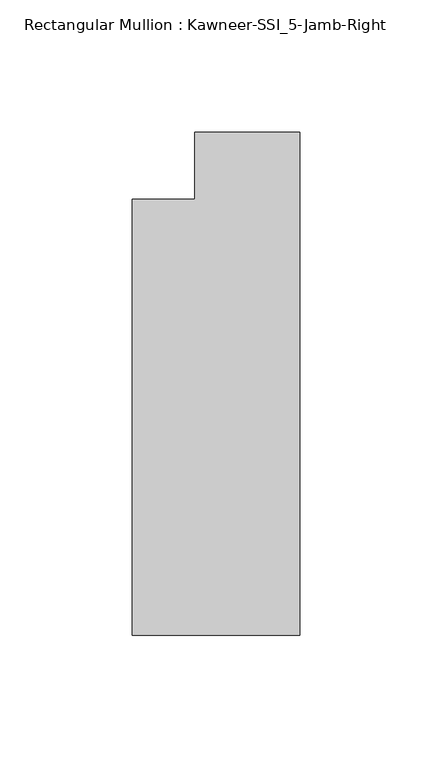
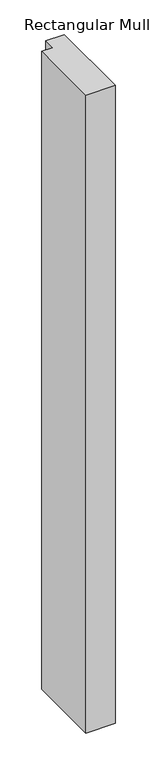
"""IFC4 building model written with IfcOpenShell, lengths in millimetres: member geometry, Rectangular Mullion : Kawneer-SSI_5-Jamb-Right."""

from ifc_helpers import new_model, si_unit, frame, origin, place, context, project, spatial, polyline, outline, extrude, source, transform, mapped, element, save


def rectangular_mullion_kawneer_ssi_5_jamb_right_23c43a9b(model_context):
    return source(origin(), model_context, "Body", "SweptSolid", [
        extrude(outline(polyline([(-63.5, -177.8), (-63.5, -12.7), (-39.6875, -12.7), (-39.6875, 12.7), (0.0, 12.7), (0.0, -177.8), (-63.5, -177.8)])), frame((0.0, 0.0, -1460.5), z_axis=(0.0, 0.0, 1.0), x_axis=(1.0, 0.0, 0.0)), (0.0, 0.0, 1.0), 1460.5),
    ])


if __name__ == "__main__":
    model = new_model("IFC4")
    model_context = context("Model", 3, world=origin())
    ifc_project = project(units=[si_unit("LENGTHUNIT", "METRE", prefix="MILLI")], contexts=[model_context])
    site = spatial("IfcSite", under=ifc_project)
    building = spatial("IfcBuilding", under=site)
    placement = place(None, origin())
    rectangular_mullion_kawneer_ssi_5_jamb_right_shape = rectangular_mullion_kawneer_ssi_5_jamb_right_23c43a9b(model_context)
    element("IfcMember", 1, ObjectType="Rectangular Mullion : Kawneer-SSI_5-Jamb-Right", at=placement, inside=building, context=model_context, shape_type="MappedRepresentation", body=[
        mapped(rectangular_mullion_kawneer_ssi_5_jamb_right_shape, transform((0.0, 0.0, 0.0), x_axis=(1.0, 0.0, 0.0), y_axis=(0.0, 1.0, 0.0), z_axis=(0.0, 0.0, 1.0))),
    ])
    save(model, "model.ifc")
